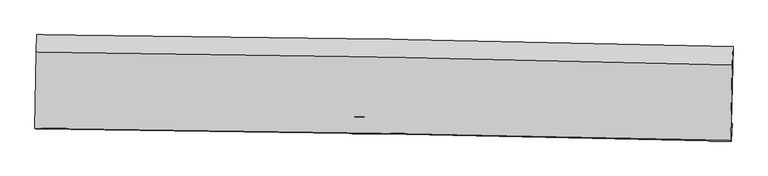
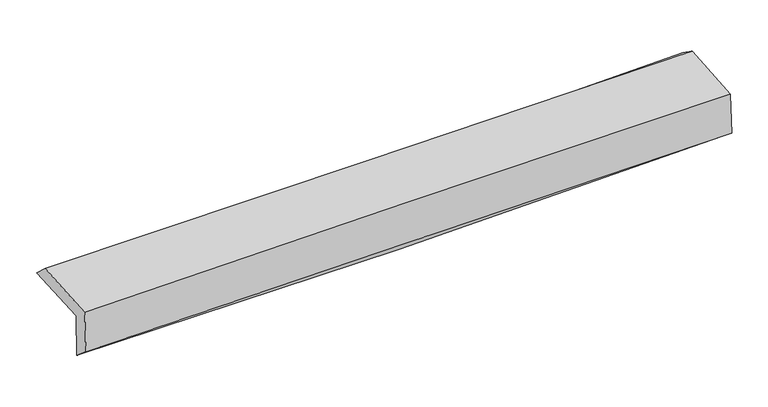
"""IFC4 building model written with IfcOpenShell, lengths in millimetres: proxy geometry."""

from ifc_helpers import new_model, si_unit, frame, origin, place, context, project, spatial, source, transform, mapped, element, save
from ifc_brep_helpers import plane_surface, spline_curve, spline_surface, advanced_brep


def generic_models_14bcf1c9(model_context):
    return source(origin(), model_context, "Body", "AdvancedBrep", [
        advanced_brep(
        [(-3014.0479583, -1753.3133078, 1970.3032758), (-3002.8956776, -1085.174634, 1983.6121516), (3007.1617763, -1186.1364994, 2133.4576746), (2990.7253767, -1860.4735227, 2119.9152883), (-3005.4505954, -1745.3944805, 1565.5542144), (2999.4118485, -1852.4726192, 1710.9711296), (-3010.9352142, -1901.0400791, 1700.5281217), (2993.0373907, -2005.5865936, 1835.2044276), (-3018.9121522, -1894.338118, 2087.5653614), (2985.2653846, -1998.4021758, 2218.228294), (-3008.3823685, -1234.9468757, 2123.4914041), (3000.739232, -1348.9067806, 2248.4742975)],
        [
            (0, 1),
            (1, 2, spline_curve(3, [(-3002.8956776, -1085.174634, 1983.6121516), (-2001.0901005, -1094.537405338, 1976.598125486), (-999.668251146, -1107.624539637, 1985.560086655), (1003.6852136, -1141.268985078, 2035.467800761), (2005.615848349, -1161.835805598, 2076.454347398), (3007.1617763, -1186.1364994, 2133.4576746)], [4, 2, 4], [0.0, 9.85493984528915, 19.722453564162663])),
            (2, 3),
            (3, 0, spline_curve(3, [(2990.7253767, -1860.4735227, 2119.9152883), (1990.378337851, -1834.433373055, 2054.343076652), (989.487670169, -1812.48019101, 2009.094303249), (-1012.104826004, -1776.770528566, 1959.27539475), (-2012.805270069, -1763.003638943, 1954.653497298), (-3014.0479583, -1753.3133078, 1970.3032758)], [4, 2, 4], [0.0, 9.867513718873512, 19.722453564162663])),
            (4, 0),
            (3, 5),
            (5, 4, spline_curve(3, [(2999.4118485, -1852.4726192, 1710.9711296), (1998.992150562, -1821.872294399, 1653.413870441), (998.057741327, -1797.647326694, 1612.520055684), (-1003.564384272, -1761.970851323, 1564.090190942), (-2004.250789332, -1750.503106178, 1556.511700797), (-3005.4505954, -1745.3944805, 1565.5542144)], [4, 2, 4], [0.0, 9.863390420053387, 19.714212220717094])),
            (6, 4),
            (5, 7),
            (7, 6, spline_curve(3, [(2993.0373907, -2005.5865936, 1835.2044276), (1992.081151785, -1981.803057018, 1807.074759724), (990.952890727, -1961.195548135, 1781.781552527), (-1010.371749132, -1926.354799272, 1736.896674824), (-2010.567689585, -1912.11346981, 1717.297780195), (-3010.9352142, -1901.0400791, 1700.5281217)], [4, 2, 4], [0.0, 9.860932293976072, 19.709299100878006])),
            (8, 6),
            (7, 9),
            (9, 8, spline_curve(3, [(2985.2653846, -1998.4021758, 2218.228294), (1984.103703278, -1974.744715547, 2198.797574227), (982.855687077, -1954.240461092, 2178.185942339), (-1018.53704487, -1919.560472824, 2134.628623439), (-2018.681541188, -1905.376707943, 2111.685944675), (-3018.9121522, -1894.338118, 2087.5653614)], [4, 2, 4], [0.0, 9.859438156683002, 19.70631273022572])),
            (10, 8),
            (9, 11),
            (11, 10, spline_curve(3, [(3000.739232, -1348.9067806, 2248.4742975), (1998.969426917, -1320.009411532, 2218.365293864), (997.005011806, -1296.061166944, 2192.891864467), (-1006.036017542, -1258.087137258, 2151.242706181), (-2007.112135715, -1244.048746604, 2135.055171344), (-3008.3823685, -1234.9468757, 2123.4914041)], [4, 2, 4], [0.0, 9.863659998291714, 19.714751033678375])),
            (1, 10),
            (11, 2),
        ],
        [
            spline_surface(3, 3, [[(-3014.0479583, -1753.3133078, 1970.3032758), (-2012.80526993, -1763.003638969, 1954.653497139), (-1012.104826032, -1776.770528547, 1959.275394629), (989.487670196, -1812.480191028, 2009.09430337), (1990.378337997, -1834.433373065, 2054.343076734), (2990.7253767, -1860.4735227, 2119.9152883)], [(-3010.330531408, -1530.60041655, 1974.739567721), (-2008.900213501, -1540.181561066, 1961.968373271), (-1007.95930104, -1553.721865603, 1968.036958607), (994.22018459, -1588.74312234, 2017.885469189), (1995.457508152, -1610.234183907, 2061.713500314), (2996.204176561, -1635.694514917, 2124.429417048)], [(-3006.613104492, -1307.88752525, 1979.175859679), (-2004.995157047, -1317.359483112, 1969.283249438), (-1003.813775983, -1330.673202677, 1976.798522598), (998.952699051, -1365.00605367, 2026.67663502), (2000.536678324, -1386.034994797, 2069.083923951), (3001.682976439, -1410.915507183, 2128.943545852)], [(-3002.8956776, -1085.174634, 1983.6121516), (-2001.090100618, -1094.537405209, 1976.59812557), (-999.668250991, -1107.624539732, 1985.560086577), (1003.685213445, -1141.268984982, 2035.467800839), (2005.615848479, -1161.83580564, 2076.454347532), (3007.1617763, -1186.1364994, 2133.4576746)]], [4, 4], [4, 2, 4], [0.0, 2.200882958008349], [0.0, 9.85493984528915, 19.722453564162663]),
            spline_surface(3, 3, [[(-3005.4505954, -1745.3944805, 1565.5542144), (-2004.250789485, -1750.503106035, 1556.511700677), (-1003.564384257, -1761.970851297, 1564.090190978), (998.057741312, -1797.647326721, 1612.520055649), (1998.9921507, -1821.872294318, 1653.413870433), (2999.4118485, -1852.4726192, 1710.9711296)], [(-3008.316383013, -1748.0340896, 1700.4705682), (-2007.102282946, -1754.669950347, 1689.225632831), (-1006.41119818, -1766.904077039, 1695.818592184), (995.201050942, -1802.591614815, 1744.711471545), (1996.120879795, -1826.059320556, 1787.056939199), (2996.516357896, -1855.139587022, 1847.285849166)], [(-3011.182170687, -1750.6736987, 1835.386922), (-2009.953776469, -1758.836794658, 1821.939564985), (-1009.258012109, -1771.837302805, 1827.546993423), (992.344360566, -1807.535902934, 1876.902887474), (1993.249608902, -1830.246346827, 1920.700007967), (2993.620867304, -1857.806554878, 1983.600568734)], [(-3014.0479583, -1753.3133078, 1970.3032758), (-2012.80526993, -1763.003638969, 1954.653497139), (-1012.104826032, -1776.770528547, 1959.275394629), (989.487670196, -1812.480191028, 2009.09430337), (1990.378337997, -1834.433373065, 2054.343076734), (2990.7253767, -1860.4735227, 2119.9152883)]], [4, 4], [4, 2, 4], [0.0, 1.3000332825535315], [0.0, 9.850821800663708, 19.714212220717094]),
            spline_surface(3, 3, [[(-3010.9352142, -1901.0400791, 1700.5281217), (-2010.567689667, -1912.113469677, 1717.297780144), (-1010.371749078, -1926.354799156, 1736.8966748), (990.952890673, -1961.195548251, 1781.781552551), (1992.081151735, -1981.803056932, 1807.074759843), (2993.0373907, -2005.5865936, 1835.2044276)], [(-3009.107007945, -1849.158212891, 1655.53681929), (-2008.462056285, -1858.243348454, 1663.702420346), (-1008.102627452, -1871.560149886, 1679.294513544), (993.321174238, -1906.679474424, 1725.361053602), (1994.384818062, -1928.492802735, 1755.854463378), (2995.162209972, -1954.548602141, 1793.793328272)], [(-3007.278801655, -1797.276346709, 1610.54551681), (-2006.356422867, -1804.373227259, 1610.107060475), (-1005.833505883, -1816.765500567, 1621.692352234), (995.689457746, -1852.163400548, 1668.940554598), (1996.688484373, -1875.182548514, 1704.634166898), (2997.287029228, -1903.510610659, 1752.382228928)], [(-3005.4505954, -1745.3944805, 1565.5542144), (-2004.250789485, -1750.503106035, 1556.511700677), (-1003.564384257, -1761.970851297, 1564.090190978), (998.057741312, -1797.647326721, 1612.520055649), (1998.9921507, -1821.872294318, 1653.413870433), (2999.4118485, -1852.4726192, 1710.9711296)]], [4, 4], [4, 2, 4], [0.0, 0.7776693635725441], [0.0, 9.848366806901934, 19.709299100878006]),
            spline_surface(3, 3, [[(-3018.9121522, -1894.338118, 2087.5653614), (-2018.681541094, -1905.376708089, 2111.685944758), (-1018.537044968, -1919.560472809, 2134.628623602), (982.855687175, -1954.240461107, 2178.185942176), (1984.103703338, -1974.744715695, 2198.797574152), (2985.2653846, -1998.4021758, 2218.228294)], [(-3016.253172867, -1896.57210502, 1958.55294817), (-2015.976923952, -1907.622295272, 1980.223223223), (-1015.81527967, -1921.825248266, 2002.051307315), (985.554755009, -1956.558823496, 2046.051145615), (1986.762852806, -1977.097496118, 2068.223302705), (2987.856053302, -2000.796981745, 2090.553671856)], [(-3013.594193533, -1898.80609208, 1829.54053493), (-2013.272306809, -1909.867882494, 1848.760501679), (-1013.093514376, -1924.0900237, 1869.473991088), (988.253822839, -1958.877185862, 1913.916349112), (1989.422002267, -1979.450276508, 1937.64903129), (2990.446721998, -2003.191787655, 1962.879049744)], [(-3010.9352142, -1901.0400791, 1700.5281217), (-2010.567689667, -1912.113469677, 1717.297780144), (-1010.371749078, -1926.354799156, 1736.8966748), (990.952890673, -1961.195548251, 1781.781552551), (1992.081151735, -1981.803056932, 1807.074759843), (2993.0373907, -2005.5865936, 1835.2044276)]], [4, 4], [4, 2, 4], [0.0, 1.3031826230313668], [0.0, 9.846874573542717, 19.70631273022572]),
            spline_surface(3, 3, [[(-3008.3823685, -1234.9468757, 2123.4914041), (-2007.112135815, -1244.048746652, 2135.055171399), (-1006.036017449, -1258.087137117, 2151.242706293), (997.005011713, -1296.061167086, 2192.891864355), (1998.969426833, -1320.009411578, 2218.365293905), (3000.739232, -1348.9067806, 2248.4742975)], [(-3011.89229639, -1454.743956494, 2111.516056518), (-2010.968604231, -1464.491400491, 2127.26542917), (-1010.203026642, -1478.578249014, 2145.704678739), (992.288570181, -1515.454265092, 2187.989890305), (1994.014185661, -1538.254512952, 2211.84272065), (2995.581282859, -1565.405245669, 2238.39229633)], [(-3015.40222431, -1674.541037206, 2099.540708982), (-2014.825072678, -1684.934054249, 2119.475686987), (-1014.370035775, -1699.069360912, 2140.166651156), (987.572128707, -1734.8473631, 2183.087916226), (1989.058944511, -1756.499614321, 2205.320147407), (2990.423333741, -1781.903710731, 2228.31029517)], [(-3018.9121522, -1894.338118, 2087.5653614), (-2018.681541094, -1905.376708089, 2111.685944758), (-1018.537044968, -1919.560472809, 2134.628623602), (982.855687175, -1954.240461107, 2178.185942176), (1984.103703338, -1974.744715695, 2198.797574152), (2985.2653846, -1998.4021758, 2218.228294)]], [4, 4], [4, 2, 4], [0.0, 2.165828453687953], [0.0, 9.851091035386661, 19.714751033678375]),
            spline_surface(3, 3, [[(-3002.8956776, -1085.174634, 1983.6121516), (-2001.090100618, -1094.537405209, 1976.59812557), (-999.668250991, -1107.624539732, 1985.560086577), (1003.685213445, -1141.268984982, 2035.467800839), (2005.615848479, -1161.83580564, 2076.454347532), (3007.1617763, -1186.1364994, 2133.4576746)], [(-3004.724574578, -1135.098714545, 2030.2385691), (-2003.097445695, -1144.374519001, 2029.417140847), (-1001.790839791, -1157.778738851, 2040.787626489), (1001.458479554, -1192.866379007, 2087.942488685), (2003.400374607, -1214.560340958, 2123.757996351), (3005.020928209, -1240.393259806, 2171.796548928)], [(-3006.553471522, -1185.022795155, 2076.8649866), (-2005.104790738, -1194.21163286, 2082.236156122), (-1003.913428649, -1207.932937999, 2096.015166381), (999.231745604, -1244.463773061, 2140.417176509), (2001.184900706, -1267.28487626, 2171.061645085), (3002.880080091, -1294.650020194, 2210.135423172)], [(-3008.3823685, -1234.9468757, 2123.4914041), (-2007.112135815, -1244.048746652, 2135.055171399), (-1006.036017449, -1258.087137117, 2151.242706293), (997.005011713, -1296.061167086, 2192.891864355), (1998.969426833, -1320.009411578, 2218.365293905), (3000.739232, -1348.9067806, 2248.4742975)]], [4, 4], [4, 2, 4], [0.0, 0.7294710100158415], [0.0, 9.856833125019113, 19.72624253924971]),
            plane_surface(frame((2996.0568348, -1708.6630319, 2044.3751853), z_axis=(0.9994777030328639, -0.024778049867240772, 0.02074534610284993), x_axis=(0.020283437367331177, -0.018749945271759088, -0.999618438065681))),
            plane_surface(frame((-3010.1039944, -1602.3679158, 1905.1757548), z_axis=(-0.9996353166609037, 0.017101770418230817, -0.02089887874545522), x_axis=(-0.01668593207020738, -0.9996624768895764, -0.019912608315980747))),
        ],
        [
            (0, [[1, 2, 3, 4]]),
            (1, [[5, -4, 6, 7]]),
            (2, [[8, -7, 9, 10]]),
            (3, [[11, -10, 12, 13]]),
            (4, [[14, -13, 15, 16]]),
            (5, [[17, -16, 18, -2]]),
            (6, [[-12, -9, -6, -3, -18, -15]]),
            (7, [[-1, -5, -8, -11, -14, -17]]),
        ],
    ),
    ])


if __name__ == "__main__":
    model = new_model("IFC4")
    model_context = context("Model", 3, world=origin())
    ifc_project = project(units=[si_unit("LENGTHUNIT", "METRE", prefix="MILLI")], contexts=[model_context])
    site = spatial("IfcSite", under=ifc_project)
    building = spatial("IfcBuilding", under=site)
    placement = place(None, origin())
    generic_models_shape = generic_models_14bcf1c9(model_context)
    element("IfcBuildingElementProxy", 1, Name="Generic Models", at=placement, inside=building, context=model_context, shape_type="MappedRepresentation", body=[
        mapped(generic_models_shape, transform((0.0, 0.0, 0.0), x_axis=(1.0, 0.0, 0.0), y_axis=(0.0, 1.0, 0.0), z_axis=(0.0, 0.0, 1.0))),
    ])
    save(model, "model.ifc")
